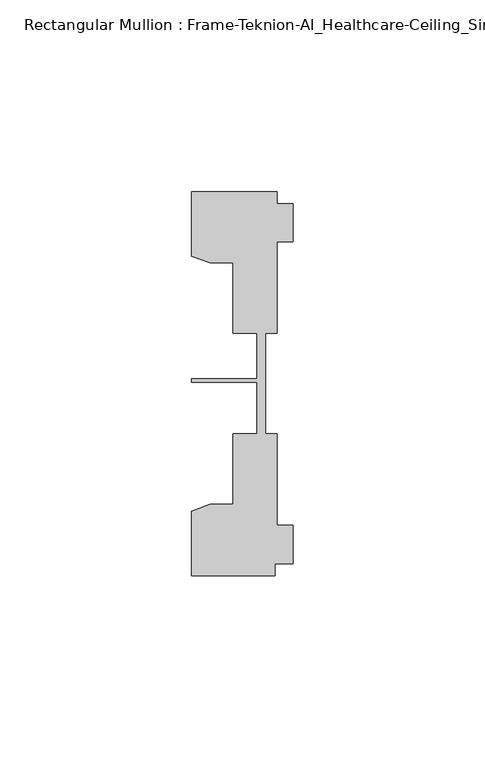
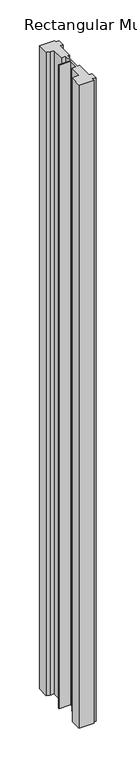
"""IFC4 building model written with IfcOpenShell, lengths in millimetres: member geometry, Rectangular Mullion : Frame-Teknion-AI_Healthcare-Ceiling_Single_Channel."""

from ifc_helpers import new_model, si_unit, frame, origin, place, context, project, spatial, polyline, outline, extrude, source, transform, mapped, element, save


def rectangular_mullion_frame_teknion_ai_healthcare_ceiling_f197eaaf(model_context):
    return source(origin(), model_context, "Body", "SweptSolid", [
        extrude(outline(polyline([(-26.4921999, -34.0201677), (-21.6625199, -32.2880982), (-15.6737764, -32.2880982), (-15.6737764, -13.9110722), (-9.4507761, -13.9110722), (-9.4507761, -0.4036528), (-26.4921999, -0.4036528), (-26.4921999, 0.4036528), (-9.4507761, 0.4036528), (-9.4507761, 12.2509301), (-15.6737764, 12.2509301), (-15.6737764, 30.6279561), (-21.6625199, 30.6279561), (-26.4921999, 32.3600207), (-26.4921999, 49.1699293), (-4.2672007, 49.1699293), (-4.2672007, 46.1219322), (0.0, 46.1219322), (0.0, 36.1219249), (-4.2672007, 36.1219249), (-4.2672007, 12.2509301), (-7.1647766, 12.2509301), (-7.1647766, -0.0814804), (-7.1647766, -13.9110722), (-4.2672007, -13.9110722), (-4.2672007, -37.7820716), (0.0, -37.7820716), (0.0, -47.782071), (-4.7752002, -47.782071), (-4.7752002, -50.8315128), (-26.4921999, -50.8315128), (-26.4921999, -34.0201677)])), frame((0.0, 0.0, -990.6), z_axis=(0.0, 0.0, 1.0), x_axis=(1.0, 0.0, 0.0)), (0.0, 0.0, 1.0), 990.6),
    ])


if __name__ == "__main__":
    model = new_model("IFC4")
    model_context = context("Model", 3, world=origin())
    ifc_project = project(units=[si_unit("LENGTHUNIT", "METRE", prefix="MILLI")], contexts=[model_context])
    site = spatial("IfcSite", under=ifc_project)
    building = spatial("IfcBuilding", under=site)
    placement = place(None, origin())
    rectangular_mullion_frame_teknion_ai_healthcare_ceiling_shape = rectangular_mullion_frame_teknion_ai_healthcare_ceiling_f197eaaf(model_context)
    element("IfcMember", 1, ObjectType="Rectangular Mullion : Frame-Teknion-AI_Healthcare-Ceiling_Single_Channel", at=placement, inside=building, context=model_context, shape_type="MappedRepresentation", body=[
        mapped(rectangular_mullion_frame_teknion_ai_healthcare_ceiling_shape, transform((0.0, 0.0, 0.0), x_axis=(1.0, 0.0, 0.0), y_axis=(0.0, 1.0, 0.0), z_axis=(0.0, 0.0, 1.0))),
    ])
    save(model, "model.ifc")
